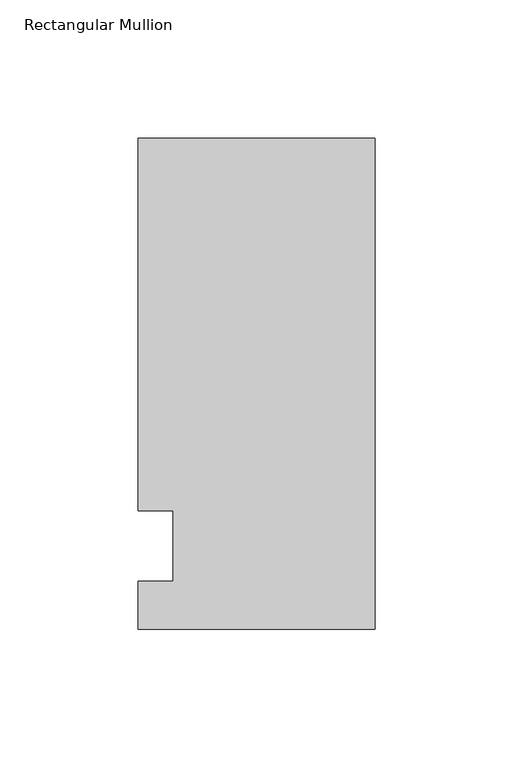
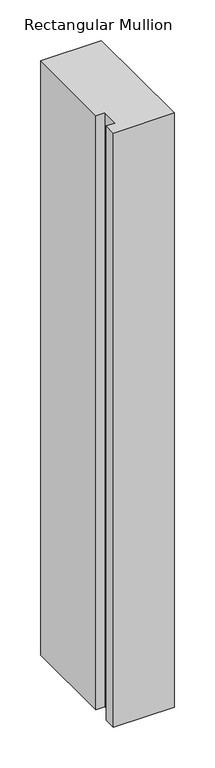
"""IFC4 building model written with IfcOpenShell, lengths in millimetres: member geometry, Rectangular Mullion."""

from ifc_helpers import new_model, si_unit, frame, origin, place, context, project, spatial, polyline, outline, extrude, source, transform, mapped, element, save


def rectangular_mullion_5a6500c3(model_context):
    return source(origin(), model_context, "Body", "SweptSolid", [
        extrude(outline(polyline([(-85.725, 147.6375), (0.0, 147.6375), (0.0, -30.1625), (-85.725, -30.1625), (-85.725, -12.7), (-73.0232296, -12.7), (-73.0232296, 12.7), (-85.725, 12.7), (-85.725, 147.6375)])), frame((0.0, 0.0, -887.8405973), z_axis=(0.0, 0.0, 1.0), x_axis=(1.0, 0.0, 0.0)), (0.0, 0.0, 1.0), 887.8405973),
    ])


if __name__ == "__main__":
    model = new_model("IFC4")
    model_context = context("Model", 3, world=origin())
    ifc_project = project(units=[si_unit("LENGTHUNIT", "METRE", prefix="MILLI")], contexts=[model_context])
    site = spatial("IfcSite", under=ifc_project)
    building = spatial("IfcBuilding", under=site)
    placement = place(None, origin())
    rectangular_mullion_shape = rectangular_mullion_5a6500c3(model_context)
    element("IfcMember", 1, ObjectType="Rectangular Mullion", at=placement, inside=building, context=model_context, shape_type="MappedRepresentation", body=[
        mapped(rectangular_mullion_shape, transform((0.0, 0.0, 0.0), x_axis=(1.0, 0.0, 0.0), y_axis=(0.0, 1.0, 0.0), z_axis=(0.0, 0.0, 1.0))),
    ])
    save(model, "model.ifc")
